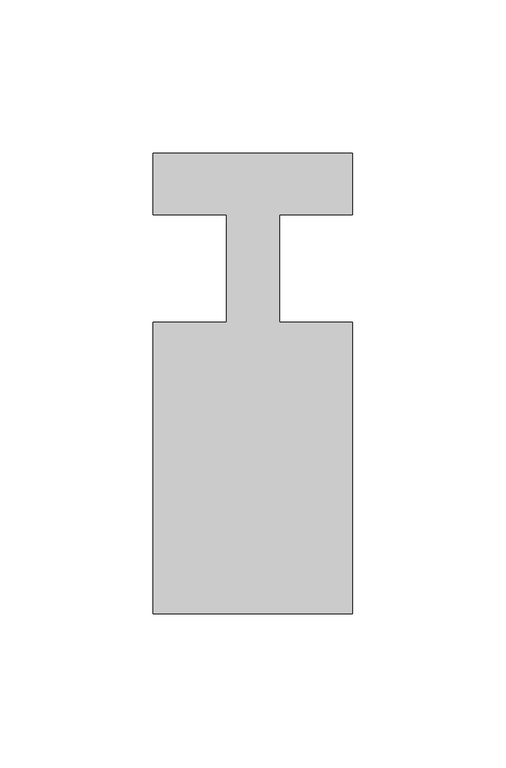
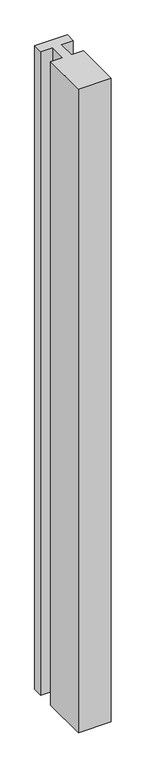
"""IFC4 building model written with IfcOpenShell, lengths in millimetres: member geometry."""

from ifc_helpers import new_model, si_unit, frame, origin, place, context, project, spatial, polyline, outline, extrude, source, transform, mapped, element, save


def member_8ca6e7db(model_context):
    return source(origin(), model_context, "Body", "SweptSolid", [
        extrude(outline(polyline([(0.0, 37.0), (0.0, 17.0), (-23.8125, 17.0), (-23.8125, -18.0), (0.0, -18.0), (0.0, -113.0), (-65.0, -113.0), (-65.0, -18.0), (-41.1875, -18.0), (-41.1875, 17.0), (-65.0, 17.0), (-65.0, 37.0), (0.0, 37.0)])), frame((0.0, 0.0, -1352.5), z_axis=(0.0, 0.0, 1.0), x_axis=(1.0, 0.0, 0.0)), (0.0, 0.0, 1.0), 1352.5),
    ])


if __name__ == "__main__":
    model = new_model("IFC4")
    model_context = context("Model", 3, world=origin())
    ifc_project = project(units=[si_unit("LENGTHUNIT", "METRE", prefix="MILLI")], contexts=[model_context])
    site = spatial("IfcSite", under=ifc_project)
    building = spatial("IfcBuilding", under=site)
    placement = place(None, origin())
    member_shape = member_8ca6e7db(model_context)
    element("IfcMember", 1, at=placement, inside=building, context=model_context, shape_type="MappedRepresentation", body=[
        mapped(member_shape, transform((0.0, 0.0, 0.0), x_axis=(1.0, 0.0, 0.0), y_axis=(0.0, 1.0, 0.0), z_axis=(0.0, 0.0, 1.0))),
    ])
    save(model, "model.ifc")
